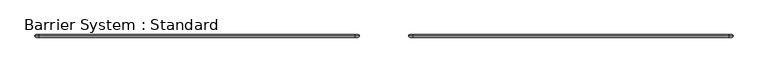
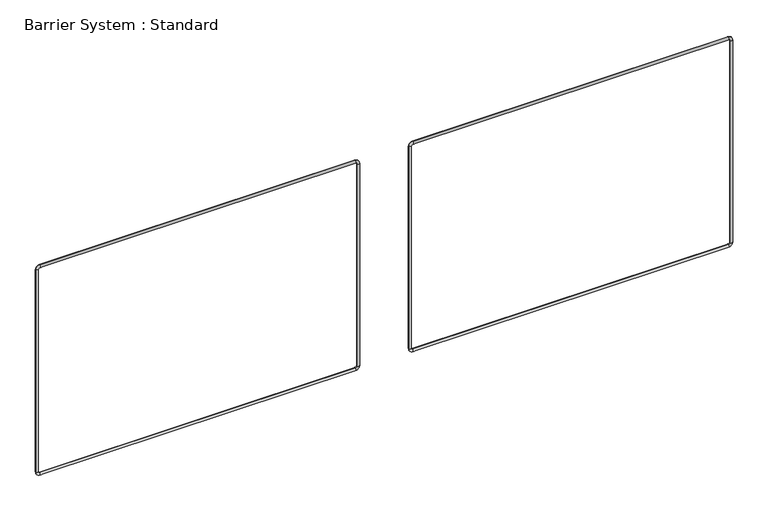
"""IFC4 building model written with IfcOpenShell, lengths in millimetres: proxy geometry, Barrier System : Standard."""

from ifc_helpers import new_model, si_unit, point, frame, origin, place, context, project, spatial, circle_curve, ellipse_curve, trimmed, source, transform, mapped, element, save
from ifc_brep_helpers import cylinder_surface, revolved_surface, advanced_brep


def barrier_system_standard_3c118df7(model_context):
    return source(origin(), model_context, "Body", "AdvancedBrep", [
        advanced_brep(
        [(2776.6, 0.0, 985.0), (2761.6, 0.0, 1000.0), (2761.6, 0.0, 990.0), (2766.6, 0.0, 985.0), (2766.6, 0.0, 160.0), (2776.6, 0.0, 160.0), (2761.6, 0.0, 145.0), (2761.6, 0.0, 155.0), (1545.8, 0.0, 155.0), (1545.8, 0.0, 145.0), (1530.8, 0.0, 160.0), (1540.8, 0.0, 160.0), (1540.8, 0.0, 985.0), (1530.8, 0.0, 985.0), (1545.8, 0.0, 1000.0), (1545.8, 0.0, 990.0)],
        [
            (0, 1, circle_curve(frame((2761.6, 0.0, 985.0), z_axis=(0.0, -1.0, 0.0), x_axis=(0.0, 0.0, 1.0)), 15.0)),
            (1, 2, circle_curve(frame((2761.6, 0.0, 995.0), z_axis=(1.0, 0.0, 0.0), x_axis=(0.0, 0.0, 1.0)), 5.0)),
            (2, 3, circle_curve(frame((2761.6, 0.0, 985.0), z_axis=(0.0, 1.0, 0.0), x_axis=(0.0, 0.0, 1.0)), 5.0)),
            (3, 0, circle_curve(frame((2771.6, 0.0, 985.0), z_axis=(0.0, 0.0, 1.0), x_axis=(1.0, 0.0, 0.0)), 5.0)),
            (2, 1, circle_curve(frame((2761.6, 0.0, 995.0), z_axis=(1.0, 0.0, 0.0), x_axis=(0.0, 0.0, 1.0)), 5.0)),
            (0, 3, circle_curve(frame((2771.6, 0.0, 985.0), z_axis=(0.0, 0.0, 1.0), x_axis=(1.0, 0.0, 0.0)), 5.0)),
            (3, 4),
            (4, 5, circle_curve(frame((2771.6, 0.0, 160.0), z_axis=(0.0, 0.0, 1.0), x_axis=(1.0, 0.0, 0.0)), 5.0)),
            (5, 0),
            (5, 4, circle_curve(frame((2771.6, 0.0, 160.0), z_axis=(0.0, 0.0, 1.0), x_axis=(1.0, 0.0, 0.0)), 5.0)),
            (6, 5, circle_curve(frame((2761.6, 0.0, 160.0), z_axis=(0.0, -1.0, 0.0), x_axis=(1.0, 0.0, 0.0)), 15.0)),
            (4, 7, circle_curve(frame((2761.6, 0.0, 160.0), z_axis=(0.0, 1.0, 0.0), x_axis=(1.0, 0.0, 0.0)), 5.0)),
            (7, 6, circle_curve(frame((2761.6, 0.0, 150.0), z_axis=(1.0, 0.0, 0.0), x_axis=(0.0, 0.0, -1.0)), 5.0)),
            (6, 7, circle_curve(frame((2761.6, 0.0, 150.0), z_axis=(1.0, 0.0, 0.0), x_axis=(0.0, 0.0, -1.0)), 5.0)),
            (7, 8),
            (8, 9, circle_curve(frame((1545.8, 0.0, 150.0), z_axis=(1.0, 0.0, 0.0), x_axis=(0.0, 0.0, -1.0)), 5.0)),
            (9, 6),
            (9, 8, circle_curve(frame((1545.8, 0.0, 150.0), z_axis=(1.0, 0.0, 0.0), x_axis=(0.0, 0.0, -1.0)), 5.0)),
            (10, 9, circle_curve(frame((1545.8, 0.0, 160.0), z_axis=(0.0, -1.0, 0.0), x_axis=(0.0, 0.0, -1.0)), 15.0)),
            (8, 11, circle_curve(frame((1545.8, 0.0, 160.0), z_axis=(0.0, 1.0, 0.0), x_axis=(0.0, 0.0, -1.0)), 5.0)),
            (11, 10, circle_curve(frame((1535.8, 0.0, 160.0), z_axis=(0.0, 0.0, -1.0), x_axis=(-1.0, 0.0, 0.0)), 5.0)),
            (10, 11, circle_curve(frame((1535.8, 0.0, 160.0), z_axis=(0.0, 0.0, -1.0), x_axis=(-1.0, 0.0, 0.0)), 5.0)),
            (11, 12),
            (12, 13, circle_curve(frame((1535.8, 0.0, 985.0), z_axis=(0.0, 0.0, -1.0), x_axis=(-1.0, 0.0, 0.0)), 5.0)),
            (13, 10),
            (13, 12, circle_curve(frame((1535.8, 0.0, 985.0), z_axis=(0.0, 0.0, -1.0), x_axis=(-1.0, 0.0, 0.0)), 5.0)),
            (14, 13, circle_curve(frame((1545.8, 0.0, 985.0), z_axis=(0.0, -1.0, 0.0), x_axis=(-1.0, 0.0, 0.0)), 15.0)),
            (12, 15, circle_curve(frame((1545.8, 0.0, 985.0), z_axis=(0.0, 1.0, 0.0), x_axis=(-1.0, 0.0, 0.0)), 5.0)),
            (15, 14, circle_curve(frame((1545.8, 0.0, 995.0), z_axis=(-1.0, 0.0, 0.0), x_axis=(0.0, 0.0, 1.0)), 5.0)),
            (14, 15, circle_curve(frame((1545.8, 0.0, 995.0), z_axis=(-1.0, 0.0, 0.0), x_axis=(0.0, 0.0, 1.0)), 5.0)),
            (15, 2),
            (1, 14),
        ],
        [
            revolved_surface(trimmed(ellipse_curve(frame((2761.6, 0.0, 995.0), z_axis=(-1.0, 0.0, 0.0), x_axis=(0.0, 0.0, 1.0)), 5.0, 5.0), [point((2761.6, 0.0, 990.0))], [point((2761.6, 0.0, 1000.0))], True, "CARTESIAN"), (2761.6, 0.0, 985.0), (0.0, 1.0, 0.0)),
            revolved_surface(trimmed(ellipse_curve(frame((2761.6, 0.0, 995.0), z_axis=(-1.0, 0.0, 0.0), x_axis=(0.0, 0.0, 1.0)), 5.0, 5.0), [point((2761.6, 0.0, 1000.0))], [point((2761.6, 0.0, 990.0))], True, "CARTESIAN"), (2761.6, 0.0, 985.0), (0.0, 1.0, 0.0)),
            cylinder_surface(frame((2771.6, 0.0, 985.0), z_axis=(0.0, 0.0, 1.0), x_axis=(1.0, 0.0, 0.0)), 5.0),
            revolved_surface(trimmed(ellipse_curve(frame((2771.6, 0.0, 160.0), z_axis=(0.0, 0.0, 1.0), x_axis=(1.0, 0.0, 0.0)), 5.0, 5.0), [point((2766.6, 0.0, 160.0))], [point((2776.6, 0.0, 160.0))], True, "CARTESIAN"), (2761.6, 0.0, 160.0), (0.0, 1.0, 0.0)),
            revolved_surface(trimmed(ellipse_curve(frame((2771.6, 0.0, 160.0), z_axis=(0.0, 0.0, 1.0), x_axis=(1.0, 0.0, 0.0)), 5.0, 5.0), [point((2776.6, 0.0, 160.0))], [point((2766.6, 0.0, 160.0))], True, "CARTESIAN"), (2761.6, 0.0, 160.0), (0.0, 1.0, 0.0)),
            cylinder_surface(frame((2761.6, 0.0, 150.0), z_axis=(1.0, 0.0, 0.0), x_axis=(0.0, 0.0, -1.0)), 5.0),
            revolved_surface(trimmed(ellipse_curve(frame((1545.8, 0.0, 150.0), z_axis=(1.0, 0.0, 0.0), x_axis=(0.0, 0.0, -1.0)), 5.0, 5.0), [point((1545.8, 0.0, 155.0))], [point((1545.8, 0.0, 145.0))], True, "CARTESIAN"), (1545.8, 0.0, 160.0), (0.0, 1.0, 0.0)),
            revolved_surface(trimmed(ellipse_curve(frame((1545.8, 0.0, 150.0), z_axis=(1.0, 0.0, 0.0), x_axis=(0.0, 0.0, -1.0)), 5.0, 5.0), [point((1545.8, 0.0, 145.0))], [point((1545.8, 0.0, 155.0))], True, "CARTESIAN"), (1545.8, 0.0, 160.0), (0.0, 1.0, 0.0)),
            cylinder_surface(frame((1535.8, 0.0, 160.0), z_axis=(0.0, 0.0, -1.0), x_axis=(-1.0, 0.0, 0.0)), 5.0),
            revolved_surface(trimmed(ellipse_curve(frame((1535.8, 0.0, 985.0), z_axis=(0.0, 0.0, -1.0), x_axis=(-1.0, 0.0, 0.0)), 5.0, 5.0), [point((1540.8, 0.0, 985.0))], [point((1530.8, 0.0, 985.0))], True, "CARTESIAN"), (1545.8, 0.0, 985.0), (0.0, 1.0, 0.0)),
            revolved_surface(trimmed(ellipse_curve(frame((1535.8, 0.0, 985.0), z_axis=(0.0, 0.0, -1.0), x_axis=(-1.0, 0.0, 0.0)), 5.0, 5.0), [point((1530.8, 0.0, 985.0))], [point((1540.8, 0.0, 985.0))], True, "CARTESIAN"), (1545.8, 0.0, 985.0), (0.0, 1.0, 0.0)),
            cylinder_surface(frame((1545.8, 0.0, 995.0), z_axis=(-1.0, 0.0, 0.0), x_axis=(0.0, 0.0, 1.0)), 5.0),
        ],
        [
            (0, [[1, 2, 3, 4]]),
            (1, [[-3, 5, -1, 6]]),
            (2, [[-4, 7, 8, 9]]),
            (2, [[-6, -9, 10, -7]]),
            (3, [[11, -8, 12, 13]]),
            (4, [[-12, -10, -11, 14]]),
            (5, [[-13, 15, 16, 17]]),
            (5, [[-14, -17, 18, -15]]),
            (6, [[19, -16, 20, 21]]),
            (7, [[-20, -18, -19, 22]]),
            (8, [[-21, 23, 24, 25]]),
            (8, [[-22, -25, 26, -23]]),
            (9, [[27, -24, 28, 29]]),
            (10, [[-28, -26, -27, 30]]),
            (11, [[-29, 31, -2, 32]]),
            (11, [[-30, -32, -5, -31]]),
        ],
    ),
        advanced_brep(
        [(1340.8, 0.0, 985.0), (1325.8, 0.0, 1000.0), (1325.8, 0.0, 990.0), (1330.8, 0.0, 985.0), (1330.8, 0.0, 160.0), (1340.8, 0.0, 160.0), (1325.8, 0.0, 145.0), (1325.8, 0.0, 155.0), (110.0, 0.0, 155.0), (110.0, 0.0, 145.0), (95.0, 0.0, 160.0), (105.0, 0.0, 160.0), (105.0, 0.0, 985.0), (95.0, 0.0, 985.0), (110.0, 0.0, 1000.0), (110.0, 0.0, 990.0)],
        [
            (0, 1, circle_curve(frame((1325.8, 0.0, 985.0), z_axis=(0.0, -1.0, 0.0), x_axis=(0.0, 0.0, 1.0)), 15.0)),
            (1, 2, circle_curve(frame((1325.8, 0.0, 995.0), z_axis=(1.0, 0.0, 0.0), x_axis=(0.0, 0.0, 1.0)), 5.0)),
            (2, 3, circle_curve(frame((1325.8, 0.0, 985.0), z_axis=(0.0, 1.0, 0.0), x_axis=(0.0, 0.0, 1.0)), 5.0)),
            (3, 0, circle_curve(frame((1335.8, 0.0, 985.0), z_axis=(0.0, 0.0, 1.0), x_axis=(1.0, 0.0, 0.0)), 5.0)),
            (2, 1, circle_curve(frame((1325.8, 0.0, 995.0), z_axis=(1.0, 0.0, 0.0), x_axis=(0.0, 0.0, 1.0)), 5.0)),
            (0, 3, circle_curve(frame((1335.8, 0.0, 985.0), z_axis=(0.0, 0.0, 1.0), x_axis=(1.0, 0.0, 0.0)), 5.0)),
            (3, 4),
            (4, 5, circle_curve(frame((1335.8, 0.0, 160.0), z_axis=(0.0, 0.0, 1.0), x_axis=(1.0, 0.0, 0.0)), 5.0)),
            (5, 0),
            (5, 4, circle_curve(frame((1335.8, 0.0, 160.0), z_axis=(0.0, 0.0, 1.0), x_axis=(1.0, 0.0, 0.0)), 5.0)),
            (6, 5, circle_curve(frame((1325.8, 0.0, 160.0), z_axis=(0.0, -1.0, 0.0), x_axis=(1.0, 0.0, 0.0)), 15.0)),
            (4, 7, circle_curve(frame((1325.8, 0.0, 160.0), z_axis=(0.0, 1.0, 0.0), x_axis=(1.0, 0.0, 0.0)), 5.0)),
            (7, 6, circle_curve(frame((1325.8, 0.0, 150.0), z_axis=(1.0, 0.0, 0.0), x_axis=(0.0, 0.0, -1.0)), 5.0)),
            (6, 7, circle_curve(frame((1325.8, 0.0, 150.0), z_axis=(1.0, 0.0, 0.0), x_axis=(0.0, 0.0, -1.0)), 5.0)),
            (7, 8),
            (8, 9, circle_curve(frame((110.0, 0.0, 150.0), z_axis=(1.0, 0.0, 0.0), x_axis=(0.0, 0.0, -1.0)), 5.0)),
            (9, 6),
            (9, 8, circle_curve(frame((110.0, 0.0, 150.0), z_axis=(1.0, 0.0, 0.0), x_axis=(0.0, 0.0, -1.0)), 5.0)),
            (10, 9, circle_curve(frame((110.0, 0.0, 160.0), z_axis=(0.0, -1.0, 0.0), x_axis=(0.0, 0.0, -1.0)), 15.0)),
            (8, 11, circle_curve(frame((110.0, 0.0, 160.0), z_axis=(0.0, 1.0, 0.0), x_axis=(0.0, 0.0, -1.0)), 5.0)),
            (11, 10, circle_curve(frame((100.0, 0.0, 160.0), z_axis=(0.0, 0.0, -1.0), x_axis=(-1.0, 0.0, 0.0)), 5.0)),
            (10, 11, circle_curve(frame((100.0, 0.0, 160.0), z_axis=(0.0, 0.0, -1.0), x_axis=(-1.0, 0.0, 0.0)), 5.0)),
            (11, 12),
            (12, 13, circle_curve(frame((100.0, 0.0, 985.0), z_axis=(0.0, 0.0, -1.0), x_axis=(-1.0, 0.0, 0.0)), 5.0)),
            (13, 10),
            (13, 12, circle_curve(frame((100.0, 0.0, 985.0), z_axis=(0.0, 0.0, -1.0), x_axis=(-1.0, 0.0, 0.0)), 5.0)),
            (14, 13, circle_curve(frame((110.0, 0.0, 985.0), z_axis=(0.0, -1.0, 0.0), x_axis=(-1.0, 0.0, 0.0)), 15.0)),
            (12, 15, circle_curve(frame((110.0, 0.0, 985.0), z_axis=(0.0, 1.0, 0.0), x_axis=(-1.0, 0.0, 0.0)), 5.0)),
            (15, 14, circle_curve(frame((110.0, 0.0, 995.0), z_axis=(-1.0, 0.0, 0.0), x_axis=(0.0, 0.0, 1.0)), 5.0)),
            (14, 15, circle_curve(frame((110.0, 0.0, 995.0), z_axis=(-1.0, 0.0, 0.0), x_axis=(0.0, 0.0, 1.0)), 5.0)),
            (15, 2),
            (1, 14),
        ],
        [
            revolved_surface(trimmed(ellipse_curve(frame((1325.8, 0.0, 995.0), z_axis=(-1.0, 0.0, 0.0), x_axis=(0.0, 0.0, 1.0)), 5.0, 5.0), [point((1325.8, 0.0, 990.0))], [point((1325.8, 0.0, 1000.0))], True, "CARTESIAN"), (1325.8, 0.0, 985.0), (0.0, 1.0, 0.0)),
            revolved_surface(trimmed(ellipse_curve(frame((1325.8, 0.0, 995.0), z_axis=(-1.0, 0.0, 0.0), x_axis=(0.0, 0.0, 1.0)), 5.0, 5.0), [point((1325.8, 0.0, 1000.0))], [point((1325.8, 0.0, 990.0))], True, "CARTESIAN"), (1325.8, 0.0, 985.0), (0.0, 1.0, 0.0)),
            cylinder_surface(frame((1335.8, 0.0, 985.0), z_axis=(0.0, 0.0, 1.0), x_axis=(1.0, 0.0, 0.0)), 5.0),
            revolved_surface(trimmed(ellipse_curve(frame((1335.8, 0.0, 160.0), z_axis=(0.0, 0.0, 1.0), x_axis=(1.0, 0.0, 0.0)), 5.0, 5.0), [point((1330.8, 0.0, 160.0))], [point((1340.8, 0.0, 160.0))], True, "CARTESIAN"), (1325.8, 0.0, 160.0), (0.0, 1.0, 0.0)),
            revolved_surface(trimmed(ellipse_curve(frame((1335.8, 0.0, 160.0), z_axis=(0.0, 0.0, 1.0), x_axis=(1.0, 0.0, 0.0)), 5.0, 5.0), [point((1340.8, 0.0, 160.0))], [point((1330.8, 0.0, 160.0))], True, "CARTESIAN"), (1325.8, 0.0, 160.0), (0.0, 1.0, 0.0)),
            cylinder_surface(frame((1325.8, 0.0, 150.0), z_axis=(1.0, 0.0, 0.0), x_axis=(0.0, 0.0, -1.0)), 5.0),
            revolved_surface(trimmed(ellipse_curve(frame((110.0, 0.0, 150.0), z_axis=(1.0, 0.0, 0.0), x_axis=(0.0, 0.0, -1.0)), 5.0, 5.0), [point((110.0, 0.0, 155.0))], [point((110.0, 0.0, 145.0))], True, "CARTESIAN"), (110.0, 0.0, 160.0), (0.0, 1.0, 0.0)),
            revolved_surface(trimmed(ellipse_curve(frame((110.0, 0.0, 150.0), z_axis=(1.0, 0.0, 0.0), x_axis=(0.0, 0.0, -1.0)), 5.0, 5.0), [point((110.0, 0.0, 145.0))], [point((110.0, 0.0, 155.0))], True, "CARTESIAN"), (110.0, 0.0, 160.0), (0.0, 1.0, 0.0)),
            cylinder_surface(frame((100.0, 0.0, 160.0), z_axis=(0.0, 0.0, -1.0), x_axis=(-1.0, 0.0, 0.0)), 5.0),
            revolved_surface(trimmed(ellipse_curve(frame((100.0, 0.0, 985.0), z_axis=(0.0, 0.0, -1.0), x_axis=(-1.0, 0.0, 0.0)), 5.0, 5.0), [point((105.0, 0.0, 985.0))], [point((95.0, 0.0, 985.0))], True, "CARTESIAN"), (110.0, 0.0, 985.0), (0.0, 1.0, 0.0)),
            revolved_surface(trimmed(ellipse_curve(frame((100.0, 0.0, 985.0), z_axis=(0.0, 0.0, -1.0), x_axis=(-1.0, 0.0, 0.0)), 5.0, 5.0), [point((95.0, 0.0, 985.0))], [point((105.0, 0.0, 985.0))], True, "CARTESIAN"), (110.0, 0.0, 985.0), (0.0, 1.0, 0.0)),
            cylinder_surface(frame((110.0, 0.0, 995.0), z_axis=(-1.0, 0.0, 0.0), x_axis=(0.0, 0.0, 1.0)), 5.0),
        ],
        [
            (0, [[1, 2, 3, 4]]),
            (1, [[-3, 5, -1, 6]]),
            (2, [[-4, 7, 8, 9]]),
            (2, [[-6, -9, 10, -7]]),
            (3, [[11, -8, 12, 13]]),
            (4, [[-12, -10, -11, 14]]),
            (5, [[-13, 15, 16, 17]]),
            (5, [[-14, -17, 18, -15]]),
            (6, [[19, -16, 20, 21]]),
            (7, [[-20, -18, -19, 22]]),
            (8, [[-21, 23, 24, 25]]),
            (8, [[-22, -25, 26, -23]]),
            (9, [[27, -24, 28, 29]]),
            (10, [[-28, -26, -27, 30]]),
            (11, [[-29, 31, -2, 32]]),
            (11, [[-30, -32, -5, -31]]),
        ],
    ),
    ])


if __name__ == "__main__":
    model = new_model("IFC4")
    model_context = context("Model", 3, world=origin())
    ifc_project = project(units=[si_unit("LENGTHUNIT", "METRE", prefix="MILLI")], contexts=[model_context])
    site = spatial("IfcSite", under=ifc_project)
    building = spatial("IfcBuilding", under=site)
    placement = place(None, origin())
    barrier_system_standard_shape = barrier_system_standard_3c118df7(model_context)
    element("IfcBuildingElementProxy", 1, Name="Barrier System : Standard", ObjectType="Barrier System : Standard", at=placement, inside=building, context=model_context, shape_type="MappedRepresentation", body=[
        mapped(barrier_system_standard_shape, transform((0.0, 0.0, 0.0), x_axis=(1.0, 0.0, 0.0), y_axis=(0.0, 1.0, 0.0), z_axis=(0.0, 0.0, 1.0))),
    ])
    save(model, "model.ifc")
